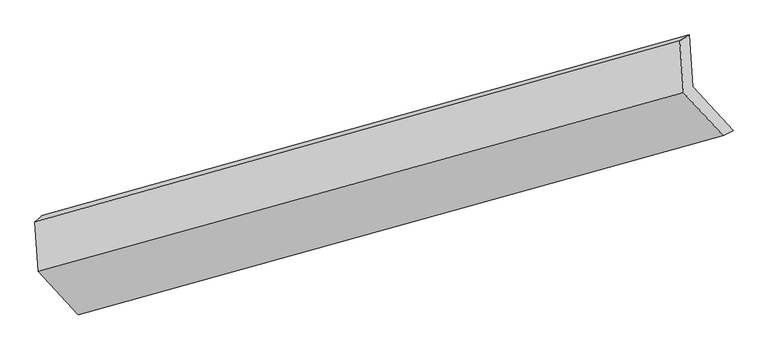
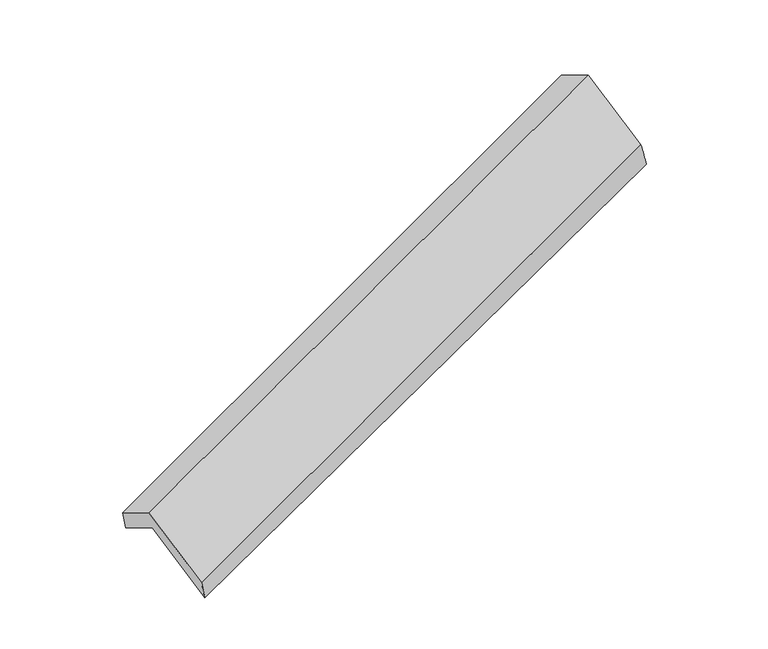
"""IFC4 building model written with IfcOpenShell, lengths in millimetres: proxy geometry."""

import ifcopenshell
import ifcopenshell.guid

model = None  # the IFC model being written
_history = None  # IfcOwnerHistory: only IFC2X3 demands one
_inside = {}  # id of a spatial element -> (the spatial element, [elements in it])
_under = {}  # id of a project, library or spatial element -> (it, [spatial elements below it])
_declared = {}  # id of a project -> (the project, [libraries it declares])
_typed = {}  # id of a type object -> (the type object, [elements of that type])
_made_of = {}  # id of a material, layer set ... -> (it, [elements and type objects made of it])


def new_model(schema):
    """Start an empty IFC model of exactly this schema.

    Asked for "IFC4X3", IfcOpenShell would pick the latest addendum, in which some entities
    have other attributes; the version numbers below select the first issue.
    IFC2X3 requires an IfcOwnerHistory on every rooted entity: one is made here for all.
    """
    global model, _history
    if schema == "IFC4X3":
        model = ifcopenshell.file(schema_version=(4, 3, 0, 0))
    else:
        model = ifcopenshell.file(schema=schema)
    _inside.clear()
    _under.clear()
    _declared.clear()
    _typed.clear()
    _made_of.clear()
    _history = None
    if model.schema == "IFC2X3":
        org = make("IfcOrganization", Name="unknown")
        user = make(
            "IfcPersonAndOrganization",
            ThePerson=make("IfcPerson", FamilyName="unknown"),
            TheOrganization=org,
        )
        app = make(
            "IfcApplication",
            ApplicationDeveloper=org,
            Version="unknown",
            ApplicationFullName="unknown",
            ApplicationIdentifier="unknown",
        )
        _history = make(
            "IfcOwnerHistory",
            OwningUser=user,
            OwningApplication=app,
            ChangeAction="ADDED",
            CreationDate=0,
        )
    return model


def make(cls, **values):
    """One entity of the class cls with the attributes given. An attribute that is None is left unset."""
    return model.create_entity(
        cls, **{name: value for name, value in values.items() if value is not None}
    )


def rooted(cls, **values):
    """An entity with a GlobalId (a new one), such as an element, a storey or a relation."""
    return make(cls, GlobalId=ifcopenshell.guid.new(), OwnerHistory=_history, **values)


def si_unit(unit_type, name, prefix=None):
    """IfcSIUnit, for example si_unit("LENGTHUNIT", "METRE", prefix="MILLI")."""
    return make("IfcSIUnit", UnitType=unit_type, Prefix=prefix, Name=name)


def assignment(units):
    """IfcUnitAssignment: the units of a project."""
    return None if units is None else make("IfcUnitAssignment", Units=units)


def point(xyz):
    """IfcCartesianPoint."""
    return None if xyz is None else make("IfcCartesianPoint", Coordinates=xyz)


def direction(xyz):
    """IfcDirection."""
    return None if xyz is None else make("IfcDirection", DirectionRatios=xyz)


def frame(location, z_axis=None, x_axis=None):
    """IfcAxis2Placement3D, a coordinate frame: its origin and axes. An axis left out is left unset."""
    return make(
        "IfcAxis2Placement3D",
        Location=point(location),
        Axis=direction(z_axis),
        RefDirection=direction(x_axis),
    )


def origin():
    """The frame at (0, 0, 0) with its axes left unset."""
    return frame((0.0, 0.0, 0.0))


def place(relative_to, where):
    """IfcLocalPlacement: puts the frame where relative to a parent placement (None: the world)."""
    return make(
        "IfcLocalPlacement", PlacementRelTo=relative_to, RelativePlacement=where
    )


def context(
    kind, dimensions, precision=None, world=None, true_north=None, identifier=None
):
    """IfcGeometricRepresentationContext, for example the 3D "Model" context."""
    return make(
        "IfcGeometricRepresentationContext",
        ContextIdentifier=identifier,
        ContextType=kind,
        CoordinateSpaceDimension=dimensions,
        Precision=precision,
        WorldCoordinateSystem=world,
        TrueNorth=true_north,
    )


def project(units=None, contexts=None):
    """IfcProject with its units and contexts."""
    return rooted(
        "IfcProject",
        Name="project",
        RepresentationContexts=contexts,
        UnitsInContext=assignment(units),
    )


def spatial(cls, under=None, at=None, **own):
    """A site, building, storey or space (cls), placed at a placement, below another one or the project."""
    s = rooted(cls, ObjectPlacement=at, **own)
    if under is not None:
        _under.setdefault(under.id(), (under, []))[1].append(s)
    return s


def shape(context_of_items, identifier, shape_type, items):
    """IfcShapeRepresentation: the items that make up one representation, for example the "Body"."""
    return make(
        "IfcShapeRepresentation",
        ContextOfItems=context_of_items,
        RepresentationIdentifier=identifier,
        RepresentationType=shape_type,
        Items=items,
    )


def source(mapping_origin, context_of_items, identifier, shape_type, items):
    """IfcRepresentationMap: a shape defined once, which mapped items show again and again."""
    return make(
        "IfcRepresentationMap",
        MappingOrigin=mapping_origin,
        MappedRepresentation=shape(context_of_items, identifier, shape_type, items),
    )


def transform(
    local_origin,
    x_axis=None,
    y_axis=None,
    z_axis=None,
    scale=None,
    scale2=None,
    scale3=None,
    uniform=True,
):
    """IfcCartesianTransformationOperator3D, or its non-uniform kind. x_axis, y_axis, z_axis: its Axis1, 2, 3."""
    if uniform:
        return make(
            "IfcCartesianTransformationOperator3D",
            Axis1=direction(x_axis),
            Axis2=direction(y_axis),
            LocalOrigin=point(local_origin),
            Scale=scale,
            Axis3=direction(z_axis),
        )
    return make(
        "IfcCartesianTransformationOperator3DnonUniform",
        Axis1=direction(x_axis),
        Axis2=direction(y_axis),
        LocalOrigin=point(local_origin),
        Scale=scale,
        Axis3=direction(z_axis),
        Scale2=scale2,
        Scale3=scale3,
    )


def mapped(mapping_source, mapping_target):
    """IfcMappedItem: shows the shape of a source again, moved by a transform."""
    return make(
        "IfcMappedItem", MappingSource=mapping_source, MappingTarget=mapping_target
    )


def made_of(thing, what):
    """Note that an element or type object is made of a material, layer set ...; save() writes the relation."""
    if what is not None:
        _made_of.setdefault(what.id(), (what, []))[1].append(thing)
    return thing


def element(
    cls,
    number,
    at=None,
    inside=None,
    cuts=None,
    type_object=None,
    material=None,
    context=None,
    identifier="Body",
    shape_type=None,
    held_by="IfcProductDefinitionShape",
    body=None,
    shapes=None,
    **own,
):
    """One element of the class cls, such as IfcWall. Its Tag is "e" and its number.

    at: its placement. inside: the storey or other place that contains it. cuts: it is an
    opening in that element (IfcRelVoidsElement). A single representation is given by context,
    identifier, shape_type and body (its items); several are given by shapes. held_by: the class
    of the entity that holds the representations. save() writes the other relations.
    """
    e = rooted(cls, Tag="e%d" % number, ObjectPlacement=at, **own)
    if body is not None:
        shapes = [shape(context, identifier, shape_type, body)]
    if shapes is not None:
        e.Representation = make(held_by, Representations=shapes)
    if inside is not None:
        _inside.setdefault(inside.id(), (inside, []))[1].append(e)
    if cuts is not None:
        rooted(
            "IfcRelVoidsElement", RelatingBuildingElement=cuts, RelatedOpeningElement=e
        )
    if type_object is not None:
        _typed.setdefault(type_object.id(), (type_object, []))[1].append(e)
    return made_of(e, material)


def aggregate(whole, parts):
    """IfcRelAggregates: a whole, such as a stair, and the parts it consists of."""
    return rooted("IfcRelAggregates", RelatingObject=whole, RelatedObjects=parts)


def save(model, path):
    """Write the relations noted so far, then the file.

    IfcRelAggregates (storeys below a building ...), IfcRelContainedInSpatialStructure (elements
    in a storey), IfcRelDefinesByType, IfcRelAssociatesMaterial and IfcRelDeclares: one each for
    every whole, place, type object, material and project.
    """
    for whole, parts in _under.values():
        aggregate(whole, parts)
    for where, things in _inside.values():
        rooted(
            "IfcRelContainedInSpatialStructure",
            RelatedElements=things,
            RelatingStructure=where,
        )
    for kind, things in _typed.values():
        rooted("IfcRelDefinesByType", RelatedObjects=things, RelatingType=kind)
    for what, things in _made_of.values():
        rooted("IfcRelAssociatesMaterial", RelatedObjects=things, RelatingMaterial=what)
    for by, libraries in _declared.values():
        rooted("IfcRelDeclares", RelatingContext=by, RelatedDefinitions=libraries)
    model.write(path)


def plane_surface(at):
    """IfcPlane: the flat surface through the origin of the frame at, square to its z axis."""
    return make("IfcPlane", Position=at)


def spline_surface(u_degree, v_degree, points, u_multiplicities, v_multiplicities, u_knots, v_knots, weights=None):
    """IfcBSplineSurfaceWithKnots; with weights, IfcRationalBSplineSurfaceWithKnots. points: one row for each step in u."""
    own = dict(
        UDegree=u_degree,
        VDegree=v_degree,
        ControlPointsList=[[point(p) for p in row] for row in points],
        SurfaceForm="UNSPECIFIED",
        UClosed=False,
        VClosed=False,
        SelfIntersect=False,
        UMultiplicities=u_multiplicities,
        VMultiplicities=v_multiplicities,
        UKnots=u_knots,
        VKnots=v_knots,
        KnotSpec="UNSPECIFIED",
    )
    if weights is None:
        return make("IfcBSplineSurfaceWithKnots", **own)
    return make("IfcRationalBSplineSurfaceWithKnots", WeightsData=weights, **own)


def advanced_brep(points, edges, surfaces, faces):
    """IfcAdvancedBrep: a solid bounded by faces that lie on surfaces and meet in shared edges.

    An edge is (start, end): straight between two places in points (the first is 0);
    or (start, end, curve); or (start, end, curve, False) where it runs against its curve.
    A face is (place in surfaces, loops), or (place, loops, False) where it looks against
    its surface's normal. A loop lists edges by number (the first is 1), with a minus sign
    where the edge is run from its end to its start. The first loop is the outer one.
    """
    corners = [point(p) for p in points]
    vertices = [make("IfcVertexPoint", VertexGeometry=c) for c in corners]
    made = []
    for start, end, *more in edges:
        made.append(
            make(
                "IfcEdgeCurve",
                EdgeStart=vertices[start],
                EdgeEnd=vertices[end],
                EdgeGeometry=more[0] if more else make("IfcPolyline", Points=[corners[start], corners[end]]),
                SameSense=more[1] if len(more) > 1 else True,
            )
        )
    hull = []
    for where, loops, *sense in faces:
        bounds = []
        for j, loop in enumerate(loops):
            ring = [make("IfcOrientedEdge", EdgeElement=made[abs(k) - 1], Orientation=k > 0) for k in loop]
            bounds.append(
                make(
                    "IfcFaceOuterBound" if j == 0 else "IfcFaceBound",
                    Bound=make("IfcEdgeLoop", EdgeList=ring),
                    Orientation=True,
                )
            )
        hull.append(make("IfcAdvancedFace", Bounds=bounds, FaceSurface=surfaces[where], SameSense=sense[0] if sense else True))
    return make("IfcAdvancedBrep", Outer=make("IfcClosedShell", CfsFaces=hull))


def generic_models_dd99b38e(model_context):
    return source(origin(), model_context, "Body", "AdvancedBrep", [
        advanced_brep(
        [(-5094.3557037, -2106.9950395, 1299.7603971), (-5117.862602, -1766.5726589, 1100.7366169), (-758.8259022, -549.2783913, 2648.1720927), (-734.723941, -898.3183576, 2852.2340389), (-5168.453017, -1811.3436657, 1278.5830505), (-821.3038436, -589.7368471, 2856.2425895), (-5145.3388888, -2146.078024, 1474.281398), (-797.2018824, -938.7768135, 3060.3045357), (-4875.4666767, -2439.4745932, 940.5631803), (-529.3579979, -1229.9682487, 2530.597681), (-4826.5118192, -2398.1864748, 770.0535423), (-462.8288878, -1193.9140959, 2314.5153088)],
        [
            (0, 1),
            (1, 2),
            (2, 3),
            (3, 0),
            (1, 4),
            (4, 5),
            (5, 2),
            (4, 6),
            (6, 7),
            (7, 5),
            (6, 8),
            (8, 9),
            (9, 7),
            (8, 10),
            (10, 11),
            (11, 9),
            (10, 0),
            (3, 11),
        ],
        [
            plane_surface(frame((-5106.1091528, -1936.7838492, 1200.248507), z_axis=(0.40702340361206124, -0.43990293585197815, -0.8005106844639012), x_axis=(-0.05950628467554519, 0.8617585688811992, -0.5038166045734702))),
            spline_surface(1, 1, [[(-5117.862602, -1766.5726589, 1100.7366169), (-758.8259022, -549.2783913, 2648.1720927)], [(-5168.453017, -1811.3436657, 1278.5830505), (-821.3038436, -589.7368471, 2856.2425895)]], [2, 2], [2, 2], [0.0, 1.0], [0.0, 1.0]),
            plane_surface(frame((-5156.8959529, -1978.7108449, 1376.4322243), z_axis=(-0.4129089055162159, 0.4382596659670576, 0.7983950782237099), x_axis=(0.05950628467554519, -0.8617585688811992, 0.5038166045734702))),
            plane_surface(frame((-5010.4027827, -2292.7763086, 1207.4222891), z_axis=(0.0561862116696758, -0.8626690161918998, 0.5026383174019966), x_axis=(0.4051168692585018, -0.44043030078465895, -0.8011875388402674))),
            spline_surface(1, 1, [[(-4875.4666767, -2439.4745932, 940.5631803), (-529.3579979, -1229.9682487, 2530.597681)], [(-4826.5118192, -2398.1864748, 770.0535423), (-462.8288878, -1193.9140959, 2314.5153088)]], [2, 2], [2, 2], [0.0, 1.0], [0.0, 1.0]),
            plane_surface(frame((-4960.4337614, -2252.5907572, 1034.9069697), z_axis=(-0.059506284675548304, 0.8617585688812032, -0.503816604573463), x_axis=(-0.40511686925849927, 0.4404303007846633, 0.8011875388402662))),
            plane_surface(frame((-684.0404092, -899.9987924, 2710.3443744), z_axis=(0.9123263255690407, 0.25178029928995904, 0.3229045626236202), x_axis=(0.29058492579710976, 0.15747682973870006, -0.9438015940837019))),
            plane_surface(frame((-5037.9981179, -2111.4417427, 1143.9963642), z_axis=(-0.9123263255690368, -0.2517802992899551, -0.3229045626236348), x_axis=(0.40511686925851037, -0.44043030078466816, -0.801187538840258))),
        ],
        [
            (0, [[1, 2, 3, 4]]),
            (1, [[5, 6, 7, -2]]),
            (2, [[8, 9, 10, -6]]),
            (3, [[11, 12, 13, -9]]),
            (4, [[14, 15, 16, -12]]),
            (5, [[17, -4, 18, -15]]),
            (6, [[-16, -18, -3, -7, -10, -13]]),
            (7, [[-17, -14, -11, -8, -5, -1]]),
        ],
    ),
    ])


if __name__ == "__main__":
    model = new_model("IFC4")
    model_context = context("Model", 3, world=origin())
    ifc_project = project(units=[si_unit("LENGTHUNIT", "METRE", prefix="MILLI")], contexts=[model_context])
    site = spatial("IfcSite", under=ifc_project)
    building = spatial("IfcBuilding", under=site)
    placement = place(None, origin())
    generic_models_shape = generic_models_dd99b38e(model_context)
    element("IfcBuildingElementProxy", 1, Name="Generic Models", at=placement, inside=building, context=model_context, shape_type="MappedRepresentation", body=[
        mapped(generic_models_shape, transform((0.0, 0.0, 0.0), x_axis=(1.0, 0.0, 0.0), y_axis=(0.0, 1.0, 0.0), z_axis=(0.0, 0.0, 1.0))),
    ])
    save(model, "model.ifc")
